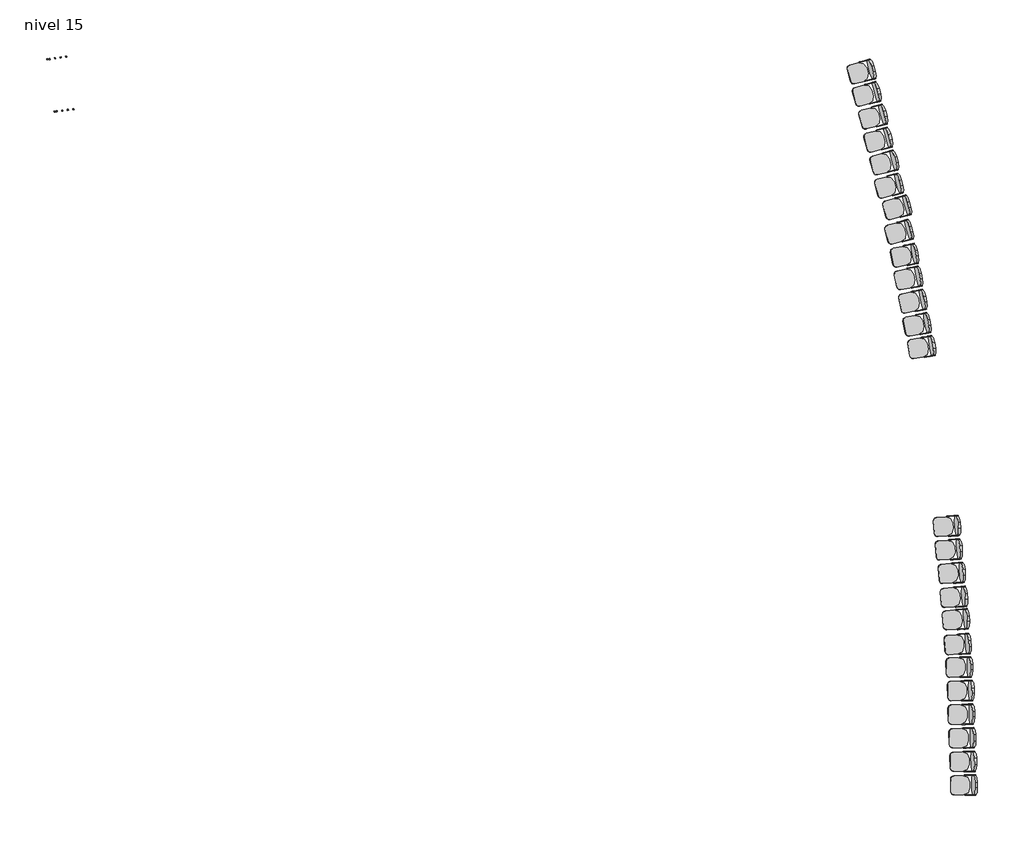
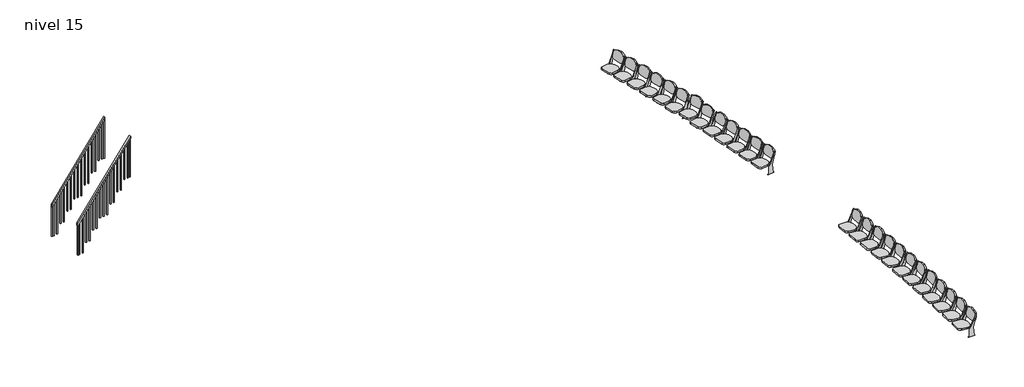
# One storey: 25 furniture elements, 2 railings.
"""IFC4 building model written with IfcOpenShell, lengths in millimetres."""

import ifcopenshell
import ifcopenshell.guid

model = None  # the IFC model being written
_history = None  # IfcOwnerHistory: only IFC2X3 demands one
_inside = {}  # id of a spatial element -> (the spatial element, [elements in it])
_under = {}  # id of a project, library or spatial element -> (it, [spatial elements below it])
_declared = {}  # id of a project -> (the project, [libraries it declares])
_typed = {}  # id of a type object -> (the type object, [elements of that type])
_made_of = {}  # id of a material, layer set ... -> (it, [elements and type objects made of it])


def new_model(schema):
    """Start an empty IFC model of exactly this schema.

    Asked for "IFC4X3", IfcOpenShell would pick the latest addendum, in which some entities
    have other attributes; the version numbers below select the first issue.
    IFC2X3 requires an IfcOwnerHistory on every rooted entity: one is made here for all.
    """
    global model, _history
    if schema == "IFC4X3":
        model = ifcopenshell.file(schema_version=(4, 3, 0, 0))
    else:
        model = ifcopenshell.file(schema=schema)
    _inside.clear()
    _under.clear()
    _declared.clear()
    _typed.clear()
    _made_of.clear()
    _history = None
    if model.schema == "IFC2X3":
        org = make("IfcOrganization", Name="unknown")
        user = make(
            "IfcPersonAndOrganization",
            ThePerson=make("IfcPerson", FamilyName="unknown"),
            TheOrganization=org,
        )
        app = make(
            "IfcApplication",
            ApplicationDeveloper=org,
            Version="unknown",
            ApplicationFullName="unknown",
            ApplicationIdentifier="unknown",
        )
        _history = make(
            "IfcOwnerHistory",
            OwningUser=user,
            OwningApplication=app,
            ChangeAction="ADDED",
            CreationDate=0,
        )
    return model


def make(cls, **values):
    """One entity of the class cls with the attributes given. An attribute that is None is left unset."""
    return model.create_entity(
        cls, **{name: value for name, value in values.items() if value is not None}
    )


def rooted(cls, **values):
    """An entity with a GlobalId (a new one), such as an element, a storey or a relation."""
    return make(cls, GlobalId=ifcopenshell.guid.new(), OwnerHistory=_history, **values)


def si_unit(unit_type, name, prefix=None):
    """IfcSIUnit, for example si_unit("LENGTHUNIT", "METRE", prefix="MILLI")."""
    return make("IfcSIUnit", UnitType=unit_type, Prefix=prefix, Name=name)


def assignment(units):
    """IfcUnitAssignment: the units of a project."""
    return None if units is None else make("IfcUnitAssignment", Units=units)


def point(xyz):
    """IfcCartesianPoint."""
    return None if xyz is None else make("IfcCartesianPoint", Coordinates=xyz)


def direction(xyz):
    """IfcDirection."""
    return None if xyz is None else make("IfcDirection", DirectionRatios=xyz)


def frame(location, z_axis=None, x_axis=None):
    """IfcAxis2Placement3D, a coordinate frame: its origin and axes. An axis left out is left unset."""
    return make(
        "IfcAxis2Placement3D",
        Location=point(location),
        Axis=direction(z_axis),
        RefDirection=direction(x_axis),
    )


def frame_2d(location, x_axis=None):
    """IfcAxis2Placement2D, a coordinate frame in the plane: its origin and x axis."""
    return make(
        "IfcAxis2Placement2D", Location=point(location), RefDirection=direction(x_axis)
    )


def origin():
    """The frame at (0, 0, 0) with its axes left unset."""
    return frame((0.0, 0.0, 0.0))


def place(relative_to, where):
    """IfcLocalPlacement: puts the frame where relative to a parent placement (None: the world)."""
    return make(
        "IfcLocalPlacement", PlacementRelTo=relative_to, RelativePlacement=where
    )


def context(
    kind, dimensions, precision=None, world=None, true_north=None, identifier=None
):
    """IfcGeometricRepresentationContext, for example the 3D "Model" context."""
    return make(
        "IfcGeometricRepresentationContext",
        ContextIdentifier=identifier,
        ContextType=kind,
        CoordinateSpaceDimension=dimensions,
        Precision=precision,
        WorldCoordinateSystem=world,
        TrueNorth=true_north,
    )


def project(units=None, contexts=None):
    """IfcProject with its units and contexts."""
    return rooted(
        "IfcProject",
        Name="project",
        RepresentationContexts=contexts,
        UnitsInContext=assignment(units),
    )


def spatial(cls, under=None, at=None, **own):
    """A site, building, storey or space (cls), placed at a placement, below another one or the project."""
    s = rooted(cls, ObjectPlacement=at, **own)
    if under is not None:
        _under.setdefault(under.id(), (under, []))[1].append(s)
    return s


def polyline(points):
    """IfcPolyline through the points."""
    return make("IfcPolyline", Points=[point(p) for p in points])


def circle_curve(where, radius):
    """IfcCircle in the frame where."""
    return make("IfcCircle", Position=where, Radius=radius)


def trimmed(basis, trim1, trim2, sense, master):
    """IfcTrimmedCurve: the piece of a basis curve between two trims."""
    return make(
        "IfcTrimmedCurve",
        BasisCurve=basis,
        Trim1=trim1,
        Trim2=trim2,
        SenseAgreement=sense,
        MasterRepresentation=master,
    )


def segment(curve, same_sense, transition):
    """IfcCompositeCurveSegment."""
    return make(
        "IfcCompositeCurveSegment",
        Transition=transition,
        SameSense=same_sense,
        ParentCurve=curve,
    )


def composite_curve(segments, self_intersect=None):
    """IfcCompositeCurve: segments joined end to end."""
    return make("IfcCompositeCurve", Segments=segments, SelfIntersect=self_intersect)


def outline(outer, holes=None, kind="AREA"):
    """IfcArbitraryClosedProfileDef: a profile drawn as a closed curve; with holes, ...WithVoids."""
    if holes is None:
        return make("IfcArbitraryClosedProfileDef", ProfileType=kind, OuterCurve=outer)
    return make(
        "IfcArbitraryProfileDefWithVoids",
        ProfileType=kind,
        OuterCurve=outer,
        InnerCurves=holes,
    )


def extrude(swept, where, along, depth):
    """IfcExtrudedAreaSolid: the profile swept, set in the frame where, extruded along a direction by depth."""
    return make(
        "IfcExtrudedAreaSolid",
        SweptArea=swept,
        Position=where,
        ExtrudedDirection=direction(along),
        Depth=depth,
    )


def shape(context_of_items, identifier, shape_type, items):
    """IfcShapeRepresentation: the items that make up one representation, for example the "Body"."""
    return make(
        "IfcShapeRepresentation",
        ContextOfItems=context_of_items,
        RepresentationIdentifier=identifier,
        RepresentationType=shape_type,
        Items=items,
    )


def source(mapping_origin, context_of_items, identifier, shape_type, items):
    """IfcRepresentationMap: a shape defined once, which mapped items show again and again."""
    return make(
        "IfcRepresentationMap",
        MappingOrigin=mapping_origin,
        MappedRepresentation=shape(context_of_items, identifier, shape_type, items),
    )


def transform(
    local_origin,
    x_axis=None,
    y_axis=None,
    z_axis=None,
    scale=None,
    scale2=None,
    scale3=None,
    uniform=True,
):
    """IfcCartesianTransformationOperator3D, or its non-uniform kind. x_axis, y_axis, z_axis: its Axis1, 2, 3."""
    if uniform:
        return make(
            "IfcCartesianTransformationOperator3D",
            Axis1=direction(x_axis),
            Axis2=direction(y_axis),
            LocalOrigin=point(local_origin),
            Scale=scale,
            Axis3=direction(z_axis),
        )
    return make(
        "IfcCartesianTransformationOperator3DnonUniform",
        Axis1=direction(x_axis),
        Axis2=direction(y_axis),
        LocalOrigin=point(local_origin),
        Scale=scale,
        Axis3=direction(z_axis),
        Scale2=scale2,
        Scale3=scale3,
    )


def mapped(mapping_source, mapping_target):
    """IfcMappedItem: shows the shape of a source again, moved by a transform."""
    return make(
        "IfcMappedItem", MappingSource=mapping_source, MappingTarget=mapping_target
    )


def made_of(thing, what):
    """Note that an element or type object is made of a material, layer set ...; save() writes the relation."""
    if what is not None:
        _made_of.setdefault(what.id(), (what, []))[1].append(thing)
    return thing


def element(
    cls,
    number,
    at=None,
    inside=None,
    cuts=None,
    type_object=None,
    material=None,
    context=None,
    identifier="Body",
    shape_type=None,
    held_by="IfcProductDefinitionShape",
    body=None,
    shapes=None,
    **own,
):
    """One element of the class cls, such as IfcWall. Its Tag is "e" and its number.

    at: its placement. inside: the storey or other place that contains it. cuts: it is an
    opening in that element (IfcRelVoidsElement). A single representation is given by context,
    identifier, shape_type and body (its items); several are given by shapes. held_by: the class
    of the entity that holds the representations. save() writes the other relations.
    """
    e = rooted(cls, Tag="e%d" % number, ObjectPlacement=at, **own)
    if body is not None:
        shapes = [shape(context, identifier, shape_type, body)]
    if shapes is not None:
        e.Representation = make(held_by, Representations=shapes)
    if inside is not None:
        _inside.setdefault(inside.id(), (inside, []))[1].append(e)
    if cuts is not None:
        rooted(
            "IfcRelVoidsElement", RelatingBuildingElement=cuts, RelatedOpeningElement=e
        )
    if type_object is not None:
        _typed.setdefault(type_object.id(), (type_object, []))[1].append(e)
    return made_of(e, material)


def aggregate(whole, parts):
    """IfcRelAggregates: a whole, such as a stair, and the parts it consists of."""
    return rooted("IfcRelAggregates", RelatingObject=whole, RelatedObjects=parts)


def save(model, path):
    """Write the relations noted so far, then the file.

    IfcRelAggregates (storeys below a building ...), IfcRelContainedInSpatialStructure (elements
    in a storey), IfcRelDefinesByType, IfcRelAssociatesMaterial and IfcRelDeclares: one each for
    every whole, place, type object, material and project.
    """
    for whole, parts in _under.values():
        aggregate(whole, parts)
    for where, things in _inside.values():
        rooted(
            "IfcRelContainedInSpatialStructure",
            RelatedElements=things,
            RelatingStructure=where,
        )
    for kind, things in _typed.values():
        rooted("IfcRelDefinesByType", RelatedObjects=things, RelatingType=kind)
    for what, things in _made_of.values():
        rooted("IfcRelAssociatesMaterial", RelatedObjects=things, RelatingMaterial=what)
    for by, libraries in _declared.values():
        rooted("IfcRelDeclares", RelatingContext=by, RelatedDefinitions=libraries)
    model.write(path)


def furniture_457_x_610mm_3d1d9cbc(model_context):
    return source(origin(), model_context, "Body", "SweptSolid", [
        extrude(outline(composite_curve([segment(polyline([(0.0, 0.0), (127.0, 0.0)]), True, "CONTINUOUS"), segment(trimmed(circle_curve(frame_2d((127.0, -152.4)), 152.4), [point((127.0, 0.0))], [point((279.4, -152.4))], False, "CARTESIAN"), True, "CONTINUOUS"), segment(polyline([(279.4, -152.4), (279.4, -224.0588601)]), True, "CONTINUOUS"), segment(trimmed(circle_curve(frame_2d((177.8, -224.0588601)), 101.6), [point((279.4, -224.0588601))], [point((177.8, -325.6588601))], False, "CARTESIAN"), True, "CONTINUOUS"), segment(polyline([(177.8, -325.6588601), (-50.8, -325.6588601)]), True, "CONTINUOUS"), segment(trimmed(circle_curve(frame_2d((-50.8, -224.0588601)), 101.6), [point((-50.8, -325.6588601))], [point((-152.4, -224.0588601))], False, "CARTESIAN"), True, "CONTINUOUS"), segment(polyline([(-152.4, -224.0588601), (-152.4, -152.4)]), True, "CONTINUOUS"), segment(trimmed(circle_curve(frame_2d((0.0, -152.4)), 152.4), [point((-152.4, -152.4))], [point((0.0, 0.0))], False, "CARTESIAN"), True, "CONTINUOUS")], self_intersect=False)), frame((224.2278689, -101.3396919, 755.9484479), z_axis=(0.0, 0.9717404775047361, 0.23605178325712217), x_axis=(-1.0, 0.0, 0.0)), (0.0, 0.0, 1.0), 50.8),
        extrude(outline(composite_curve([segment(trimmed(circle_curve(frame_2d((0.0, -76.2)), 76.2), [point((0.0, 0.0))], [point((76.2, -76.2))], False, "CARTESIAN"), True, "CONTINUOUS"), segment(polyline([(76.2, -76.2), (76.2, -276.4123505)]), True, "CONTINUOUS"), segment(trimmed(circle_curve(frame_2d((-76.2, -276.4123505)), 152.4), [point((76.2, -276.4123505))], [point((-76.2, -428.8123506))], False, "CARTESIAN"), True, "CONTINUOUS"), segment(polyline([(-76.2, -428.8123506), (-203.2, -428.8123506)]), True, "CONTINUOUS"), segment(trimmed(circle_curve(frame_2d((-203.2, -276.4123505)), 152.4), [point((-203.2, -428.8123506))], [point((-355.6, -276.4123505))], False, "CARTESIAN"), True, "CONTINUOUS"), segment(polyline([(-355.6, -276.4123505), (-355.6, -76.2)]), True, "CONTINUOUS"), segment(trimmed(circle_curve(frame_2d((-279.4, -76.2)), 76.2), [point((-355.6, -76.2))], [point((-279.4, 0.0))], False, "CARTESIAN"), True, "CONTINUOUS"), segment(polyline([(-279.4, 0.0), (0.0, 0.0)]), True, "CONTINUOUS")], self_intersect=False)), frame((300.4278689, 497.5245173, 321.2380213), z_axis=(0.0, -0.08715574274765496, 0.9961946980917459), x_axis=(1.0, 0.0, 0.0)), (0.0, 0.0, 1.0), 50.8),
        extrude(outline(composite_curve([segment(polyline([(-13.3245902, 0.0), (-13.3245902, 12.7), (12.0754098, 12.7), (37.4754098, 292.1), (-64.1245902, 711.2), (-57.883846, 711.2)]), True, "CONTINUOUS"), segment(trimmed(circle_curve(frame_2d((-57.883846, 685.8)), 25.4), [point((-57.883846, 711.2))], [point((-33.4611378, 692.7779166))], False, "CARTESIAN"), True, "CONTINUOUS"), segment(polyline([(-33.4611378, 692.7779166), (-13.3245902, 622.3), (121.8491486, 342.9), (164.4754098, 292.1), (164.4754098, 12.7), (189.8754098, 12.7), (189.8754098, 0.0), (-13.3245902, 0.0)]), True, "CONTINUOUS")], self_intersect=False)), frame((-67.8721311, 0.0, 0.0), z_axis=(1.0, 0.0, 0.0), x_axis=(0.0, 1.0, 0.0)), (0.0, 0.0, 1.0), 12.7),
        extrude(outline(composite_curve([segment(polyline([(-13.3245902, 12.7), (12.0754098, 12.7), (37.4754098, 292.1), (-64.1245902, 711.2), (-57.883846, 711.2)]), True, "CONTINUOUS"), segment(trimmed(circle_curve(frame_2d((-57.883846, 685.8)), 25.4), [point((-57.883846, 711.2))], [point((-33.4611378, 692.7779166))], False, "CARTESIAN"), True, "CONTINUOUS"), segment(polyline([(-33.4611378, 692.7779166), (-13.3245902, 622.3), (121.8491486, 342.9), (164.4754098, 292.1), (164.4754098, 12.7), (189.8754098, 12.7), (189.8754098, 0.0), (-13.3245902, 0.0), (-13.3245902, 12.7)]), True, "CONTINUOUS")], self_intersect=False)), frame((376.6278689, 0.0, 0.0), z_axis=(1.0, 0.0, 0.0), x_axis=(0.0, 1.0, 0.0)), (0.0, 0.0, 1.0), 12.7),
    ])


model = new_model("IFC4")

# Units and contexts
model_context = context("Model", 3, world=origin())
ifc_project = project(units=[si_unit("LENGTHUNIT", "METRE", prefix="MILLI")], contexts=[model_context])

# Site, building, storey
site = spatial("IfcSite", under=ifc_project)
building = spatial("IfcBuilding", under=site)
storey = spatial("IfcBuildingStorey", under=building, Name="nivel 15", Elevation=10720.0)

# Furniture
placement = place(None, origin())
furniture_457_x_610mm_shape = furniture_457_x_610mm_3d1d9cbc(model_context)
element("IfcFurniture", 1, ObjectType="457 x 610mm", at=placement, inside=storey, context=model_context, shape_type="MappedRepresentation", body=[
    mapped(furniture_457_x_610mm_shape, transform((-23107.7328179, 49684.3626294, 10720.0), x_axis=(-0.25858163131040696, 0.9659894098533632, 0.0), y_axis=(-0.9659894098533632, -0.25858163131040696, 0.0), z_axis=(0.0, 0.0, 1.0))),
])
element("IfcFurniture", 2, ObjectType="457 x 610mm", at=placement, inside=storey, context=model_context, shape_type="MappedRepresentation", body=[
    mapped(furniture_457_x_610mm_shape, transform((-22990.6465901, 49182.1517781, 10720.0), x_axis=(-0.25858163131040685, 0.9659894098533631, 0.0), y_axis=(-0.9659894098533631, -0.25858163131040685, 0.0), z_axis=(0.0, 0.0, 1.0))),
])
element("IfcFurniture", 3, ObjectType="457 x 610mm", at=placement, inside=storey, context=model_context, shape_type="MappedRepresentation", body=[
    mapped(furniture_457_x_610mm_shape, transform((-22845.687269, 48673.9351867, 10720.0), x_axis=(-0.25858163131040685, 0.9659894098533631, 0.0), y_axis=(-0.9659894098533631, -0.25858163131040685, 0.0), z_axis=(0.0, 0.0, 1.0))),
])
element("IfcFurniture", 4, ObjectType="457 x 610mm", at=placement, inside=storey, context=model_context, shape_type="MappedRepresentation", body=[
    mapped(furniture_457_x_610mm_shape, transform((-22733.2346333, 48157.5518851, 10720.0), x_axis=(-0.25858163131040685, 0.9659894098533631, 0.0), y_axis=(-0.9659894098533631, -0.25858163131040685, 0.0), z_axis=(0.0, 0.0, 1.0))),
])
element("IfcFurniture", 5, ObjectType="457 x 610mm", at=placement, inside=storey, context=model_context, shape_type="MappedRepresentation", body=[
    mapped(furniture_457_x_610mm_shape, transform((-22596.1269023, 47647.1610753, 10720.0), x_axis=(-0.25858163131040685, 0.9659894098533631, 0.0), y_axis=(-0.9659894098533631, -0.25858163131040685, 0.0), z_axis=(0.0, 0.0, 1.0))),
])
element("IfcFurniture", 6, ObjectType="457 x 610mm", at=placement, inside=storey, context=model_context, shape_type="MappedRepresentation", body=[
    mapped(furniture_457_x_610mm_shape, transform((-22491.6478873, 47129.1056295, 10720.0), x_axis=(-0.25858163131040685, 0.9659894098533631, 0.0), y_axis=(-0.9659894098533631, -0.25858163131040685, 0.0), z_axis=(0.0, 0.0, 1.0))),
])
element("IfcFurniture", 7, ObjectType="457 x 610mm", at=placement, inside=storey, context=model_context, shape_type="MappedRepresentation", body=[
    mapped(furniture_457_x_610mm_shape, transform((-22310.0448295, 46644.421072, 10720.0), x_axis=(-0.25858163131040685, 0.9659894098533631, 0.0), y_axis=(-0.9659894098533631, -0.25858163131040685, 0.0), z_axis=(0.0, 0.0, 1.0))),
])
element("IfcFurniture", 8, ObjectType="457 x 610mm", at=placement, inside=storey, context=model_context, shape_type="MappedRepresentation", body=[
    mapped(furniture_457_x_610mm_shape, transform((-22265.9866374, 46097.2609622, 10720.0), x_axis=(-0.25858163131040685, 0.9659894098533631, 0.0), y_axis=(-0.9659894098533631, -0.25858163131040685, 0.0), z_axis=(0.0, 0.0, 1.0))),
])
element("IfcFurniture", 9, ObjectType="457 x 610mm", at=placement, inside=storey, context=model_context, shape_type="MappedRepresentation", body=[
    mapped(furniture_457_x_610mm_shape, transform((-22149.0607562, 45556.4617496, 10720.0), x_axis=(-0.1985610693807029, 0.9800885172913677, 0.0), y_axis=(-0.9800885172913677, -0.1985610693807029, 0.0), z_axis=(0.0, 0.0, 1.0))),
])
element("IfcFurniture", 10, ObjectType="457 x 610mm", at=placement, inside=storey, context=model_context, shape_type="MappedRepresentation", body=[
    mapped(furniture_457_x_610mm_shape, transform((-22063.145808, 45047.989975, 10720.0), x_axis=(-0.1985610693807029, 0.9800885172913678, 0.0), y_axis=(-0.9800885172913678, -0.1985610693807029, 0.0), z_axis=(0.0, 0.0, 1.0))),
])
element("IfcFurniture", 11, ObjectType="457 x 610mm", at=placement, inside=storey, context=model_context, shape_type="MappedRepresentation", body=[
    mapped(furniture_457_x_610mm_shape, transform((-21964.2537028, 44529.1056334, 10720.0), x_axis=(-0.1985610693807029, 0.9800885172913678, 0.0), y_axis=(-0.9800885172913678, -0.1985610693807029, 0.0), z_axis=(0.0, 0.0, 1.0))),
])
element("IfcFurniture", 12, ObjectType="457 x 610mm", at=placement, inside=storey, context=model_context, shape_type="MappedRepresentation", body=[
    mapped(furniture_457_x_610mm_shape, transform((-21869.3640608, 44009.4744523, 10720.0), x_axis=(-0.1985610693807029, 0.9800885172913678, 0.0), y_axis=(-0.9800885172913678, -0.1985610693807029, 0.0), z_axis=(0.0, 0.0, 1.0))),
])
element("IfcFurniture", 13, ObjectType="457 x 610mm", at=placement, inside=storey, context=model_context, shape_type="MappedRepresentation", body=[
    mapped(furniture_457_x_610mm_shape, transform((-21769.3269782, 43494.0787548, 10720.0), x_axis=(-0.16825336371327315, 0.9857437829371124, 0.0), y_axis=(-0.9857437829371124, -0.16825336371327315, 0.0), z_axis=(0.0, 0.0, 1.0))),
])
element("IfcFurniture", 14, ObjectType="457 x 610mm", at=placement, inside=storey, context=model_context, shape_type="MappedRepresentation", body=[
    mapped(furniture_457_x_610mm_shape, transform((-20848.5191348, 33662.7788521, 10720.0), x_axis=(-0.020432471531818985, 0.9997912352621927, 0.0), y_axis=(-0.9997912352621927, -0.020432471531818985, 0.0), z_axis=(0.0, 0.0, 1.0))),
])
element("IfcFurniture", 15, ObjectType="457 x 610mm", at=placement, inside=storey, context=model_context, shape_type="MappedRepresentation", body=[
    mapped(furniture_457_x_610mm_shape, transform((-20863.9733214, 34190.7767466, 10720.0), x_axis=(-0.020432471531818985, 0.9997912352621927, 0.0), y_axis=(-0.9997912352621927, -0.020432471531818985, 0.0), z_axis=(0.0, 0.0, 1.0))),
])
element("IfcFurniture", 16, ObjectType="457 x 610mm", at=placement, inside=storey, context=model_context, shape_type="MappedRepresentation", body=[
    mapped(furniture_457_x_610mm_shape, transform((-20883.496821, 34718.6398363, 10720.0), x_axis=(-0.020432471531818985, 0.9997912352621927, 0.0), y_axis=(-0.9997912352621927, -0.020432471531818985, 0.0), z_axis=(0.0, 0.0, 1.0))),
])
element("IfcFurniture", 17, ObjectType="457 x 610mm", at=placement, inside=storey, context=model_context, shape_type="MappedRepresentation", body=[
    mapped(furniture_457_x_610mm_shape, transform((-20907.0985644, 35246.5445221, 10720.0), x_axis=(-0.020432471531818985, 0.9997912352621927, 0.0), y_axis=(-0.9997912352621927, -0.020432471531818985, 0.0), z_axis=(0.0, 0.0, 1.0))),
])
element("IfcFurniture", 18, ObjectType="457 x 610mm", at=placement, inside=storey, context=model_context, shape_type="MappedRepresentation", body=[
    mapped(furniture_457_x_610mm_shape, transform((-20920.0474977, 35774.6637159, 10720.0), x_axis=(-0.020432471531818985, 0.9997912352621927, 0.0), y_axis=(-0.9997912352621927, -0.020432471531818985, 0.0), z_axis=(0.0, 0.0, 1.0))),
])
element("IfcFurniture", 19, ObjectType="457 x 610mm", at=placement, inside=storey, context=model_context, shape_type="MappedRepresentation", body=[
    mapped(furniture_457_x_610mm_shape, transform((-20951.7778251, 36302.0475378, 10720.0), x_axis=(-0.020432471531818985, 0.9997912352621927, 0.0), y_axis=(-0.9997912352621927, -0.020432471531818985, 0.0), z_axis=(0.0, 0.0, 1.0))),
])
element("IfcFurniture", 20, ObjectType="457 x 610mm", at=placement, inside=storey, context=model_context, shape_type="MappedRepresentation", body=[
    mapped(furniture_457_x_610mm_shape, transform((-20978.8794393, 36826.4837982, 10720.0), x_axis=(-0.07159383114894219, 0.9974338691569562, 0.0), y_axis=(-0.9974338691569562, -0.07159383114894219, 0.0), z_axis=(0.0, 0.0, 1.0))),
])
element("IfcFurniture", 21, ObjectType="457 x 610mm", at=placement, inside=storey, context=model_context, shape_type="MappedRepresentation", body=[
    mapped(furniture_457_x_610mm_shape, transform((-21018.6489246, 37380.545942, 10720.0), x_axis=(-0.07159383114894219, 0.9974338691569565, 0.0), y_axis=(-0.9974338691569565, -0.07159383114894219, 0.0), z_axis=(0.0, 0.0, 1.0))),
])
element("IfcFurniture", 22, ObjectType="457 x 610mm", at=placement, inside=storey, context=model_context, shape_type="MappedRepresentation", body=[
    mapped(furniture_457_x_610mm_shape, transform((-21062.737008, 37883.0721936, 10720.0), x_axis=(-0.07159383114894219, 0.9974338691569565, 0.0), y_axis=(-0.9974338691569565, -0.07159383114894219, 0.0), z_axis=(0.0, 0.0, 1.0))),
])
element("IfcFurniture", 23, ObjectType="457 x 610mm", at=placement, inside=storey, context=model_context, shape_type="MappedRepresentation", body=[
    mapped(furniture_457_x_610mm_shape, transform((-21111.5421729, 38418.7604922, 10720.0), x_axis=(-0.07159383114894219, 0.9974338691569565, 0.0), y_axis=(-0.9974338691569565, -0.07159383114894219, 0.0), z_axis=(0.0, 0.0, 1.0))),
])
element("IfcFurniture", 24, ObjectType="457 x 610mm", at=placement, inside=storey, context=model_context, shape_type="MappedRepresentation", body=[
    mapped(furniture_457_x_610mm_shape, transform((-21178.2359863, 38943.2307794, 10720.0), x_axis=(-0.07159383114894219, 0.9974338691569565, 0.0), y_axis=(-0.9974338691569565, -0.07159383114894219, 0.0), z_axis=(0.0, 0.0, 1.0))),
])
element("IfcFurniture", 25, ObjectType="457 x 610mm", at=placement, inside=storey, context=model_context, shape_type="MappedRepresentation", body=[
    mapped(furniture_457_x_610mm_shape, transform((-21219.6474823, 39469.88308, 10720.0), x_axis=(-0.07159383114894219, 0.9974338691569565, 0.0), y_axis=(-0.9974338691569565, -0.07159383114894219, 0.0), z_axis=(0.0, 0.0, 1.0))),
])

# Railings
element("IfcRailing", 26, ObjectType="1100mm", at=placement, inside=storey, context=model_context, shape_type="SweptSolid", body=[
    extrude(outline(polyline([(58.6419753, -50.0), (0.0, 0.0), (2919.4721215, 0.0), (2978.1140968, -50.0), (58.6419753, -50.0)])), frame((-41406.7095755, 48870.6038307, 12439.6557958), z_axis=(-0.13917310096006072, 0.9902680687415709, 0.0), x_axis=(0.6424960445821013, 0.09029693039855029, 0.7609502592528332)), (0.0, 0.0, 1.0), 50.0),
    extrude(outline(polyline([(114.6604939, 0.0), (1348.7607341, 0.0), (1348.7607341, -25.0), (85.3395062, -25.0), (114.6604939, 0.0)])), frame((-39625.9667155, 49133.4937633, 14665.4274008), z_axis=(-0.13917310096006072, 0.990268068741571, 0.0), x_axis=(0.0, 0.0, -1.0)), (0.0, 0.0, 1.0), 25.0),
    extrude(outline(polyline([(114.6604938, 0.0), (1202.1557958, 0.0), (1202.1557958, -25.0), (85.3395062, -25.0), (114.6604938, 0.0)])), frame((-39749.7502241, 49116.0971257, 14518.8224625), z_axis=(-0.13917310096006072, 0.990268068741571, 0.0), x_axis=(0.0, 0.0, -1.0)), (0.0, 0.0, 1.0), 25.0),
    extrude(outline(polyline([(114.6604938, 0.0), (1372.2175242, 0.0), (1372.2175242, -25.0), (85.3395061, -25.0), (114.6604938, 0.0)])), frame((-39873.5337327, 49098.7004881, 14372.2175242), z_axis=(-0.13917310096006072, 0.990268068741571, 0.0), x_axis=(0.0, 0.0, -1.0)), (0.0, 0.0, 1.0), 25.0),
    extrude(outline(polyline([(114.6604939, 0.0), (1225.612586, 0.0), (1225.612586, -25.0), (85.3395062, -25.0), (114.6604939, 0.0)])), frame((-39997.3172413, 49081.3038504, 14225.612586), z_axis=(-0.13917310096006072, 0.990268068741571, 0.0), x_axis=(0.0, 0.0, -1.0)), (0.0, 0.0, 1.0), 25.0),
    extrude(outline(polyline([(114.6604938, 0.0), (1395.6743144, 0.0), (1395.6743144, -25.0), (85.3395062, -25.0), (114.6604938, 0.0)])), frame((-40121.1007499, 49063.9072128, 14079.0076477), z_axis=(-0.13917310096006072, 0.990268068741571, 0.0), x_axis=(0.0, 0.0, -1.0)), (0.0, 0.0, 1.0), 25.0),
    extrude(outline(polyline([(114.6604938, 0.0), (1249.0693761, 0.0), (1249.0693761, -25.0), (85.3395062, -25.0), (114.6604938, 0.0)])), frame((-40244.8842585, 49046.5105752, 13932.4027094), z_axis=(-0.13917310096006072, 0.990268068741571, 0.0), x_axis=(0.0, 0.0, -1.0)), (0.0, 0.0, 1.0), 25.0),
    extrude(outline(polyline([(114.6604938, 0.0), (1419.1311044, 0.0), (1419.1311044, -25.0), (85.3395061, -25.0), (114.6604938, 0.0)])), frame((-40368.6677671, 49029.1139376, 13785.7977711), z_axis=(-0.13917310096006072, 0.990268068741571, 0.0), x_axis=(0.0, 0.0, -1.0)), (0.0, 0.0, 1.0), 25.0),
    extrude(outline(polyline([(114.6604939, 0.0), (1272.5261662, 0.0), (1272.5261662, -25.0), (85.3395062, -25.0), (114.6604939, 0.0)])), frame((-40492.4512757, 49011.7173, 13639.1928329), z_axis=(-0.13917310096006072, 0.990268068741571, 0.0), x_axis=(0.0, 0.0, -1.0)), (0.0, 0.0, 1.0), 25.0),
    extrude(outline(polyline([(114.6604938, 0.0), (1125.9212279, 0.0), (1125.9212279, -25.0), (85.3395062, -25.0), (114.6604938, 0.0)])), frame((-40616.2347843, 48994.3206623, 13492.5878946), z_axis=(-0.13917310096006072, 0.990268068741571, 0.0), x_axis=(0.0, 0.0, -1.0)), (0.0, 0.0, 1.0), 25.0),
    extrude(outline(polyline([(114.6604938, 0.0), (1295.9829563, 0.0), (1295.9829563, -25.0), (85.3395061, -25.0), (114.6604938, 0.0)])), frame((-40740.0182929, 48976.9240247, 13345.9829563), z_axis=(-0.13917310096006072, 0.990268068741571, 0.0), x_axis=(0.0, 0.0, -1.0)), (0.0, 0.0, 1.0), 25.0),
    extrude(outline(polyline([(114.6604939, 0.0), (1149.3780181, 0.0), (1149.3780181, -25.0000001), (85.3395062, -25.0000001), (114.6604939, 0.0)])), frame((-40863.8018015, 48959.5273871, 13199.3780181), z_axis=(-0.13917310096006072, 0.990268068741571, 0.0), x_axis=(0.0, 0.0, -1.0)), (0.0, 0.0, 1.0), 25.0),
    extrude(outline(polyline([(114.6604938, 0.0), (1319.4397465, 0.0), (1319.4397465, -25.0000001), (85.3395062, -25.0000001), (114.6604938, 0.0)])), frame((-40987.5853101, 48942.1307495, 13052.7730798), z_axis=(-0.13917310096006072, 0.990268068741571, 0.0), x_axis=(0.0, 0.0, -1.0)), (0.0, 0.0, 1.0), 25.0),
    extrude(outline(polyline([(114.6604938, 0.0), (1172.8348082, 0.0), (1172.8348082, -25.0), (85.3395061, -25.0), (114.6604938, 0.0)])), frame((-41111.3688186, 48924.7341119, 12906.1681415), z_axis=(-0.13917310096006072, 0.990268068741571, 0.0), x_axis=(0.0, 0.0, -1.0)), (0.0, 0.0, 1.0), 25.0),
    extrude(outline(polyline([(114.6604939, 0.0), (1342.8965366, 0.0), (1342.8965366, -25.0), (85.3395062, -25.0), (114.6604939, 0.0)])), frame((-41235.1523272, 48907.3374742, 12759.5632033), z_axis=(-0.13917310096006072, 0.990268068741571, 0.0), x_axis=(0.0, 0.0, -1.0)), (0.0, 0.0, 1.0), 25.0),
    extrude(outline(polyline([(114.6604938, 0.0), (1196.2915983, 0.0), (1196.2915983, -25.0), (85.3395062, -25.0), (114.6604938, 0.0)])), frame((-41358.9358358, 48889.9408366, 12612.958265), z_axis=(-0.13917310096006072, 0.990268068741571, 0.0), x_axis=(0.0, 0.0, -1.0)), (0.0, 0.0, 1.0), 25.0),
    extrude(outline(polyline([(114.6604938, 0.0), (1429.901703, 0.0), (1429.901703, -25.0), (85.3395062, -25.0), (114.6604938, 0.0)])), frame((-39557.4566507, 49143.122225, 14746.5683697), z_axis=(-0.13917310096006072, 0.990268068741571, 0.0), x_axis=(0.0, 0.0, -1.0)), (0.0, 0.0, 1.0), 25.0),
    extrude(outline(polyline([(114.6604939, 0.0), (1137.649623, 0.0), (1137.649623, -25.0), (85.3395062, -25.0), (114.6604939, 0.0)])), frame((-41408.4492393, 48882.9821816, 12554.3162897), z_axis=(-0.13917310096006072, 0.990268068741571, 0.0), x_axis=(0.0, 0.0, -1.0)), (0.0, 0.0, 1.0), 25.0),
])
element("IfcRailing", 27, ObjectType="1100mm", at=placement, inside=storey, context=model_context, shape_type="SweptSolid", body=[
    extrude(outline(polyline([(58.6419753, -50.0), (0.0, 0.0), (2919.4721214, 0.0), (2978.1140968, -50.0), (58.6419753, -50.0)])), frame((-41571.5739264, 50043.6746415, 12439.6557958), z_axis=(-0.13917310096006072, 0.9902680687415709, 0.0), x_axis=(0.6424960445821013, 0.09029693039855029, 0.7609502592528332)), (0.0, 0.0, 1.0), 50.0),
    extrude(outline(polyline([(1348.7607341, 25.0000001), (1348.7607341, 0.0), (85.3395062, 0.0), (114.6604939, 25.0000001), (1348.7607341, 25.0000001)])), frame((-39766.0743647, 50310.0439016, 14665.4274008), z_axis=(-0.13917310096006136, 0.9902680687415709, 0.0), x_axis=(0.0, 0.0, -1.0)), (0.0, 0.0, 1.0), 25.0),
    extrude(outline(polyline([(1202.1557958, 25.0), (1202.1557958, 0.0), (85.3395062, 0.0), (114.6604938, 25.0), (1202.1557958, 25.0)])), frame((-39889.8578733, 50292.647264, 14518.8224625), z_axis=(-0.13917310096006136, 0.9902680687415709, 0.0), x_axis=(0.0, 0.0, -1.0)), (0.0, 0.0, 1.0), 25.0),
    extrude(outline(polyline([(1372.2175242, 25.0), (1372.2175242, 0.0), (85.3395061, 0.0), (114.6604938, 25.0), (1372.2175242, 25.0)])), frame((-40013.6413819, 50275.2506264, 14372.2175242), z_axis=(-0.13917310096006136, 0.9902680687415709, 0.0), x_axis=(0.0, 0.0, -1.0)), (0.0, 0.0, 1.0), 25.0),
    extrude(outline(polyline([(1225.612586, 25.0), (1225.612586, 0.0), (85.3395062, 0.0), (114.6604939, 25.0), (1225.612586, 25.0)])), frame((-40137.4248905, 50257.8539887, 14225.612586), z_axis=(-0.13917310096006136, 0.9902680687415709, 0.0), x_axis=(0.0, 0.0, -1.0)), (0.0, 0.0, 1.0), 25.0),
    extrude(outline(polyline([(1395.6743144, 25.0), (1395.6743144, 0.0), (85.3395062, 0.0), (114.6604938, 25.0), (1395.6743144, 25.0)])), frame((-40261.2083991, 50240.4573511, 14079.0076477), z_axis=(-0.13917310096006136, 0.9902680687415709, 0.0), x_axis=(0.0, 0.0, -1.0)), (0.0, 0.0, 1.0), 25.0),
    extrude(outline(polyline([(1249.0693761, 25.0), (1249.0693761, 0.0), (85.3395062, 0.0), (114.6604938, 25.0), (1249.0693761, 25.0)])), frame((-40384.9919077, 50223.0607135, 13932.4027094), z_axis=(-0.13917310096006136, 0.9902680687415709, 0.0), x_axis=(0.0, 0.0, -1.0)), (0.0, 0.0, 1.0), 25.0),
    extrude(outline(polyline([(1419.1311044, 25.0), (1419.1311044, 0.0), (85.3395061, 0.0), (114.6604938, 25.0), (1419.1311044, 25.0)])), frame((-40508.7754163, 50205.6640759, 13785.7977711), z_axis=(-0.13917310096006136, 0.9902680687415709, 0.0), x_axis=(0.0, 0.0, -1.0)), (0.0, 0.0, 1.0), 25.0),
    extrude(outline(polyline([(1272.5261662, 25.0), (1272.5261662, 0.0), (85.3395062, 0.0), (114.6604939, 25.0), (1272.5261662, 25.0)])), frame((-40632.5589249, 50188.2674383, 13639.1928329), z_axis=(-0.13917310096006136, 0.9902680687415709, 0.0), x_axis=(0.0, 0.0, -1.0)), (0.0, 0.0, 1.0), 25.0),
    extrude(outline(polyline([(1125.9212279, 25.0), (1125.9212279, 0.0), (85.3395062, 0.0), (114.6604938, 25.0), (1125.9212279, 25.0)])), frame((-40756.3424335, 50170.8708006, 13492.5878946), z_axis=(-0.13917310096006136, 0.9902680687415709, 0.0), x_axis=(0.0, 0.0, -1.0)), (0.0, 0.0, 1.0), 25.0),
    extrude(outline(polyline([(1295.9829563, 25.0), (1295.9829563, 0.0), (85.3395061, 0.0), (114.6604938, 25.0), (1295.9829563, 25.0)])), frame((-40880.1259421, 50153.474163, 13345.9829563), z_axis=(-0.13917310096006136, 0.9902680687415709, 0.0), x_axis=(0.0, 0.0, -1.0)), (0.0, 0.0, 1.0), 25.0),
    extrude(outline(polyline([(1149.3780181, 25.0), (1149.3780181, 0.0), (85.3395062, 0.0), (114.6604939, 25.0), (1149.3780181, 25.0)])), frame((-41003.9094507, 50136.0775254, 13199.3780181), z_axis=(-0.13917310096006136, 0.9902680687415709, 0.0), x_axis=(0.0, 0.0, -1.0)), (0.0, 0.0, 1.0), 25.0),
    extrude(outline(polyline([(1319.4397465, 25.0), (1319.4397465, 0.0), (85.3395062, 0.0), (114.6604938, 25.0), (1319.4397465, 25.0)])), frame((-41127.6929593, 50118.6808878, 13052.7730798), z_axis=(-0.13917310096006136, 0.9902680687415709, 0.0), x_axis=(0.0, 0.0, -1.0)), (0.0, 0.0, 1.0), 25.0),
    extrude(outline(polyline([(1172.8348082, 25.0000001), (1172.8348082, 0.0), (85.3395061, 0.0), (114.6604938, 25.0000001), (1172.8348082, 25.0000001)])), frame((-41251.4764678, 50101.2842502, 12906.1681415), z_axis=(-0.13917310096006136, 0.9902680687415709, 0.0), x_axis=(0.0, 0.0, -1.0)), (0.0, 0.0, 1.0), 25.0),
    extrude(outline(polyline([(1342.8965366, 25.0000001), (1342.8965366, 0.0), (85.3395062, 0.0), (114.6604939, 25.0000001), (1342.8965366, 25.0000001)])), frame((-41375.2599764, 50083.8876125, 12759.5632033), z_axis=(-0.13917310096006136, 0.9902680687415709, 0.0), x_axis=(0.0, 0.0, -1.0)), (0.0, 0.0, 1.0), 25.0),
    extrude(outline(polyline([(1196.2915983, 25.0), (1196.2915983, 0.0), (85.3395062, 0.0), (114.6604938, 25.0), (1196.2915983, 25.0)])), frame((-41499.043485, 50066.4909749, 12612.958265), z_axis=(-0.13917310096006136, 0.9902680687415709, 0.0), x_axis=(0.0, 0.0, -1.0)), (0.0, 0.0, 1.0), 25.0),
    extrude(outline(polyline([(1429.901703, 25.0), (1429.901703, 0.0), (85.3395062, 0.0), (114.6604938, 25.0), (1429.901703, 25.0)])), frame((-39697.5642999, 50319.6723633, 14746.5683697), z_axis=(-0.13917310096006136, 0.9902680687415709, 0.0), x_axis=(0.0, 0.0, -1.0)), (0.0, 0.0, 1.0), 25.0),
    extrude(outline(polyline([(1137.649623, 25.0), (1137.649623, 0.0), (85.3395062, 0.0), (114.6604939, 25.0), (1137.649623, 25.0)])), frame((-41548.5568885, 50059.5323199, 12554.3162897), z_axis=(-0.13917310096006136, 0.9902680687415709, 0.0), x_axis=(0.0, 0.0, -1.0)), (0.0, 0.0, 1.0), 25.0),
])

save(model, "model.ifc")
